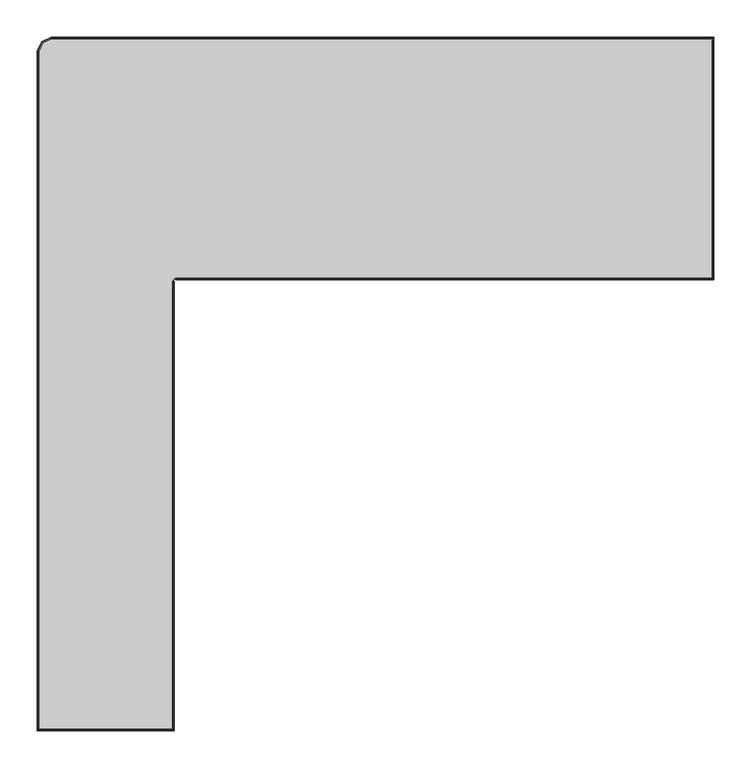
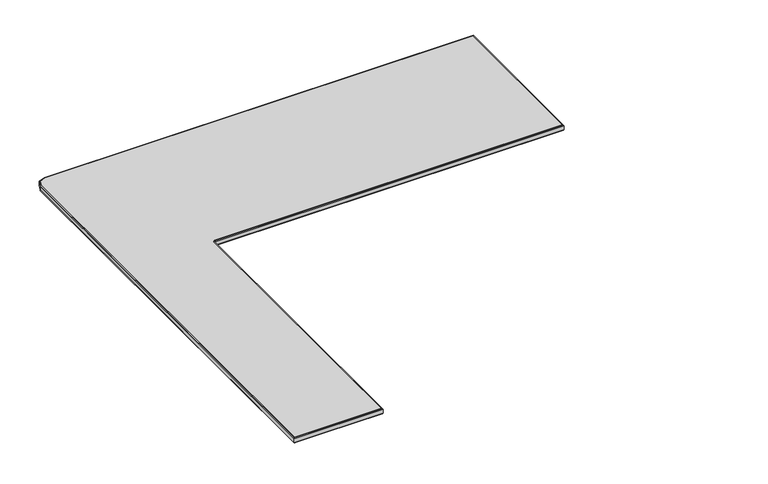
"""IFC4 building model written with IfcOpenShell, lengths in millimetres: furniture geometry."""

from ifc_helpers import new_model, si_unit, frame, origin, place, context, project, spatial, polyline, outline, extrude, faceted_brep, source, transform, mapped, element, save


def furniture_919705e8(model_context):
    return source(origin(), model_context, "Body", "SolidModel", [
        faceted_brep([(-718.8099999, -251.5041979, 1064.7999767), (-718.8099999, -251.5041979, 1056.800029), (-719.3957926, -251.5041979, 1055.3857985), (-720.8100231, -251.5041979, 1054.8000057), (-720.8100231, -251.5041979, 1066.8030114), (-719.3957926, -251.5041979, 1066.2142073), (-719.3957926, -851.2384483, 1066.2142073), (-718.8099999, -851.8242411, 1064.7999767), (-720.8110878, -849.8242178, 1066.800441), (-720.8100231, -849.8242178, 1054.8000057), (-719.3957926, -851.2384483, 1055.3857985), (-718.8099999, -851.8242411, 1056.800029), (-901.1142065, -851.2384483, 1066.2142073), (-901.6999992, -851.8242411, 1064.7999767), (-899.699976, -849.8231531, 1066.800441), (-899.699976, -849.8242178, 1054.8000057), (-901.1142065, -851.2384483, 1055.3857985), (-901.6999992, -851.8242411, 1056.800029), (-901.1142065, 55.577105, 1066.2142073), (-901.6999992, 55.6936259, 1064.7999767), (-899.6989113, 55.2957981, 1066.800441), (-899.699976, 55.2957981, 1054.8000057), (-901.1142065, 55.577105, 1055.3857985), (-901.6999992, 55.6936259, 1056.800029), (-895.7885739, 68.4343754, 1066.2142073), (-896.2369207, 68.8827215, 1064.7999767), (-894.7051838, 67.3515634, 1066.800441), (-894.7061674, 67.3519709, 1054.8000057), (-895.7885739, 68.4343754, 1055.3857985), (-896.2369207, 68.8827215, 1056.800029), (-882.9313183, 73.7600281, 1066.2142073), (-883.0478398, 74.3458208, 1064.7999767), (-882.6496028, 72.3448139, 1066.800441), (-882.6500102, 72.3457976, 1054.8000057), (-882.9313183, 73.7600281, 1055.3857985), (-883.0478398, 74.3458208, 1056.800029), (1.8282353, 73.7600281, 1066.2142073), (2.414028, 74.3458208, 1064.7999767), (0.4140047, 72.3447329, 1066.800441), (0.4140047, 72.3457976, 1054.8000057), (1.8282353, 73.7600281, 1055.3857985), (2.414028, 74.3458208, 1056.800029), (1.8282353, -248.9184364, 1066.2142073), (2.414028, -249.5042291, 1064.7999767), (0.41294, -247.5042058, 1066.800441), (0.4140047, -247.5042058, 1054.8000057), (1.8282353, -248.9184364, 1055.3857985), (2.414028, -249.5042291, 1056.800029), (-716.8099766, -249.5042291, 1064.7999767), (-716.8099766, -248.9184364, 1066.2142073), (-716.8099766, -247.5042058, 1066.8), (-716.8099766, -247.5042058, 1054.8000057), (-716.8099766, -248.9184364, 1055.3857985), (-716.8099766, -249.5042291, 1056.800029)], [[[0, 1, 2, 3, 4, 5]], [[5, 6, 7, 0]], [[4, 8, 6, 5]], [[3, 9, 8, 4]], [[2, 10, 9, 3]], [[1, 11, 10, 2]], [[0, 7, 11, 1]], [[6, 12, 13, 7]], [[8, 14, 12, 6]], [[9, 15, 14, 8]], [[10, 16, 15, 9]], [[11, 17, 16, 10]], [[7, 13, 17, 11]], [[12, 18, 19, 13]], [[14, 20, 18, 12]], [[15, 21, 20, 14]], [[16, 22, 21, 15]], [[17, 23, 22, 16]], [[13, 19, 23, 17]], [[18, 24, 25, 19]], [[20, 26, 24, 18]], [[21, 27, 26, 20]], [[22, 28, 27, 21]], [[23, 29, 28, 22]], [[19, 25, 29, 23]], [[24, 30, 31, 25]], [[26, 32, 30, 24]], [[27, 33, 32, 26]], [[28, 34, 33, 27]], [[29, 35, 34, 28]], [[25, 31, 35, 29]], [[30, 36, 37, 31]], [[32, 38, 36, 30]], [[33, 39, 38, 32]], [[34, 40, 39, 33]], [[35, 41, 40, 34]], [[31, 37, 41, 35]], [[36, 42, 43, 37]], [[38, 44, 42, 36]], [[39, 45, 44, 38]], [[40, 46, 45, 39]], [[41, 47, 46, 40]], [[37, 43, 47, 41]], [[48, 49, 50, 51, 52, 53]], [[42, 49, 48, 43]], [[44, 50, 49, 42]], [[45, 51, 50, 44]], [[46, 52, 51, 45]], [[47, 53, 52, 46]], [[43, 48, 53, 47]]]),
        extrude(outline(polyline([(-1.8399992, 4.2258001), (-1.8399992, -212.5041983), (-751.8100205, -212.5041983), (-754.6384089, -213.6757656), (-755.8099943, -216.5042085), (-755.8099943, -824.3592024), (-846.5800352, -824.3592024), (-846.5800352, 4.2258001), (-1.8399992, 4.2258001)])), frame((0.0, 0.0, 1042.8000114), z_axis=(0.0, 0.0, 1.0), x_axis=(1.0, 0.0, 0.0)), (0.0, 0.0, 1.0), 11.9999943),
        extrude(outline(polyline([(-882.6500102, 72.3457976), (0.4140047, 72.3457976), (0.4140047, -247.5042058), (-716.8099766, -247.5042058), (-719.6384377, -248.6757731), (-720.8100231, -251.5041979), (-720.8100231, -849.8242178), (-899.699976, -849.8242178), (-899.699976, 55.2957981), (-894.7061674, 67.3519709), (-882.6500102, 72.3457976)])), frame((0.0, 0.0, 1054.8000057), z_axis=(0.0, 0.0, 1.0), x_axis=(1.0, 0.0, 0.0)), (0.0, 0.0, 1.0), 12.0030057),
        faceted_brep([(-754.3958365, -216.5042085, 1043.3858042), (-755.8099943, -216.5042085, 1042.8000114), (-755.8099943, -216.5042085, 1054.8000057), (-751.8100205, -216.5042085, 1054.8000057), (-753.224251, -216.5042085, 1054.214213), (-753.8100437, -216.5042085, 1052.7999825), (-753.8100437, -216.5042085, 1044.799962), (-753.8100437, -826.359153, 1044.799962), (-754.3958365, -825.7733603, 1043.3858042), (-753.8100437, -826.359153, 1052.7999825), (-753.224251, -826.9449457, 1054.214213), (-751.8100205, -828.3591763, 1054.8000057), (-755.8099943, -824.3592024, 1054.8000057), (-846.5800352, -824.3592024, 1054.8000057), (-846.5800352, 4.2258001, 1054.8000057), (-1.8399992, 4.2258001, 1054.8000057), (-1.8399992, -212.5041983, 1054.8000057), (-751.8100205, -212.5041983, 1054.8000057), (-751.8100205, -216.5041722, 1054.8000057), (2.1599746, -216.5041722, 1054.8000057), (2.1599746, 8.225774, 1054.8000057), (-850.5800091, 8.225774, 1054.8000057), (-850.5800091, -828.3591763, 1054.8000057), (-755.8099943, -824.3592024, 1042.8000114), (-848.5799858, -826.359153, 1044.799962), (-847.9941931, -825.7733603, 1043.3858042), (-848.5799858, -826.359153, 1052.7999825), (-849.1657785, -826.9449457, 1054.214213), (-846.5800352, -824.3592024, 1042.8000114), (-848.5799858, 6.2257507, 1044.799962), (-847.9941931, 5.639958, 1043.3858042), (-848.5799858, 6.2257507, 1052.7999825), (-849.1657785, 6.8115434, 1054.214213), (-846.5800352, 4.2258001, 1042.8000114), (0.1599514, 6.2257507, 1044.799962), (-0.4258414, 5.639958, 1043.3858042), (0.1599514, 6.2257507, 1052.7999825), (0.7457441, 6.8115434, 1054.214213), (-1.8399992, 4.2258001, 1042.8000114), (0.1599514, -214.5041489, 1044.799962), (-0.4258414, -213.9183562, 1043.3858042), (0.1599514, -214.5041489, 1052.7999825), (0.7457441, -215.0899416, 1054.214213), (-1.8399992, -212.5041983, 1042.8000114), (-751.8100205, -213.9183562, 1043.3858042), (-751.8100205, -214.5041489, 1044.799962), (-751.8100205, -214.5041489, 1052.7999825), (-751.8100205, -215.0899416, 1054.214213), (-751.8100205, -212.5041983, 1042.8000114)], [[[0, 1, 2, 3, 4, 5, 6]], [[6, 7, 8, 0]], [[5, 9, 7, 6]], [[4, 10, 9, 5]], [[3, 11, 10, 4]], [[2, 12, 13, 14, 15, 16, 17, 18, 19, 20, 21, 22, 11, 3]], [[1, 23, 12, 2]], [[0, 8, 23, 1]], [[7, 24, 25, 8]], [[9, 26, 24, 7]], [[10, 27, 26, 9]], [[11, 22, 27, 10]], [[23, 28, 13, 12]], [[8, 25, 28, 23]], [[24, 29, 30, 25]], [[26, 31, 29, 24]], [[27, 32, 31, 26]], [[22, 21, 32, 27]], [[28, 33, 14, 13]], [[25, 30, 33, 28]], [[29, 34, 35, 30]], [[31, 36, 34, 29]], [[32, 37, 36, 31]], [[21, 20, 37, 32]], [[33, 38, 15, 14]], [[30, 35, 38, 33]], [[34, 39, 40, 35]], [[36, 41, 39, 34]], [[37, 42, 41, 36]], [[20, 19, 42, 37]], [[38, 43, 16, 15]], [[35, 40, 43, 38]], [[44, 45, 46, 47, 18, 17, 48]], [[39, 45, 44, 40]], [[41, 46, 45, 39]], [[42, 47, 46, 41]], [[19, 18, 47, 42]], [[43, 48, 17, 16]], [[40, 44, 48, 43]]]),
    ])


if __name__ == "__main__":
    model = new_model("IFC4")
    model_context = context("Model", 3, world=origin())
    ifc_project = project(units=[si_unit("LENGTHUNIT", "METRE", prefix="MILLI")], contexts=[model_context])
    site = spatial("IfcSite", under=ifc_project)
    building = spatial("IfcBuilding", under=site)
    placement = place(None, origin())
    furniture_shape = furniture_919705e8(model_context)
    element("IfcFurniture", 1, at=placement, inside=building, context=model_context, shape_type="MappedRepresentation", body=[
        mapped(furniture_shape, transform((0.0, 0.0, 0.0), x_axis=(1.0, 0.0, 0.0), y_axis=(0.0, 1.0, 0.0), z_axis=(0.0, 0.0, 1.0))),
    ])
    save(model, "model.ifc")
